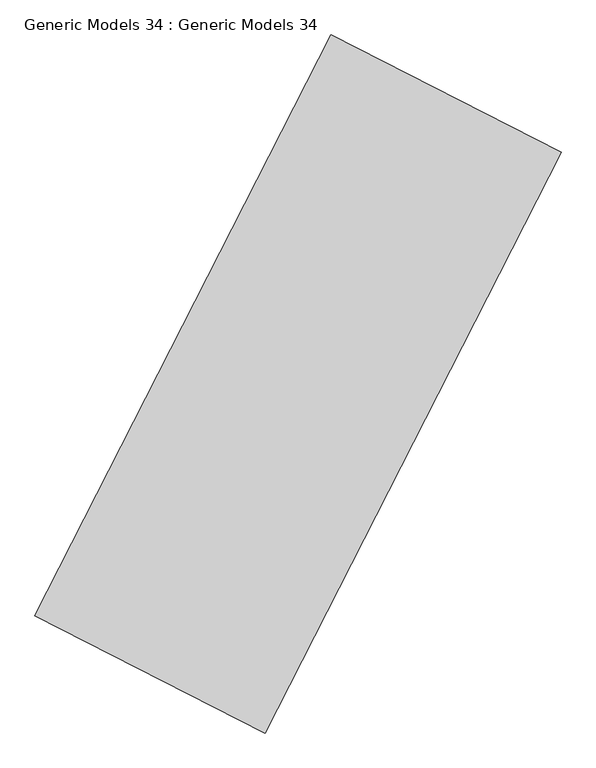
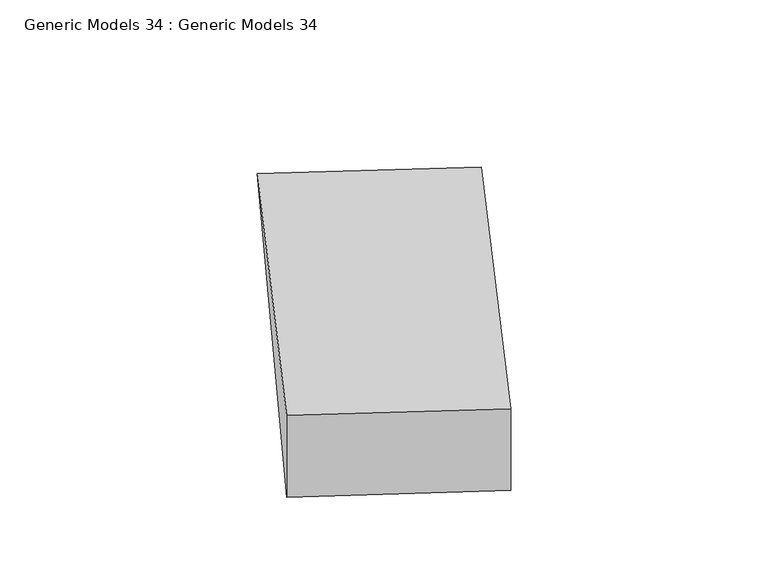
"""IFC4 building model written with IfcOpenShell, lengths in millimetres: proxy geometry, Generic Models 34 : Generic Models 34."""

from ifc_helpers import new_model, si_unit, frame, origin, place, context, project, spatial, polyline, outline, extrude, source, transform, mapped, element, save


def generic_models_34_generic_models_34_e1a375ce(model_context):
    return source(origin(), model_context, "Body", "SweptSolid", [
        extrude(outline(polyline([(680.0, 0.0), (680.0, -3856.4716373), (0.0, 0.0), (680.0, 0.0)])), frame((-293433.1255445, 66382.7530454, 680.0), z_axis=(-0.890680598562622, 0.45462959796314345, 0.0), x_axis=(0.0, 0.0, -1.0)), (0.0, 0.0, 1.0), 1529.8001538),
    ])


if __name__ == "__main__":
    model = new_model("IFC4")
    model_context = context("Model", 3, world=origin())
    ifc_project = project(units=[si_unit("LENGTHUNIT", "METRE", prefix="MILLI")], contexts=[model_context])
    site = spatial("IfcSite", under=ifc_project)
    building = spatial("IfcBuilding", under=site)
    placement = place(None, origin())
    generic_models_34_generic_models_34_shape = generic_models_34_generic_models_34_e1a375ce(model_context)
    element("IfcBuildingElementProxy", 1, Name="Generic Models 34 : Generic Models 34", ObjectType="Generic Models 34 : Generic Models 34", at=placement, inside=building, context=model_context, shape_type="MappedRepresentation", body=[
        mapped(generic_models_34_generic_models_34_shape, transform((0.0, 0.0, 0.0), x_axis=(1.0, 0.0, 0.0), y_axis=(0.0, 1.0, 0.0), z_axis=(0.0, 0.0, 1.0))),
    ])
    save(model, "model.ifc")
